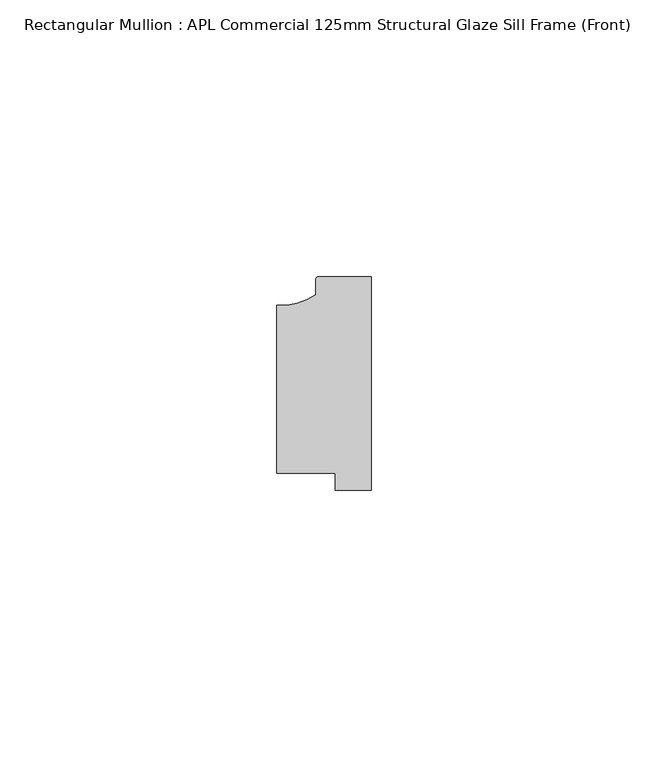
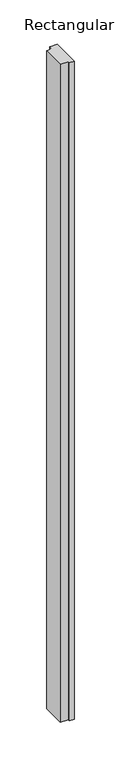
"""IFC4 building model written with IfcOpenShell, lengths in millimetres: member geometry, Rectangular Mullion : APL Commercial 125mm Structural Glaze Sill Frame (Front)."""

from ifc_helpers import new_model, si_unit, point, frame, frame_2d, origin, place, context, project, spatial, polyline, circle_curve, trimmed, segment, composite_curve, outline, extrude, source, transform, mapped, element, save


def rectangular_mullion_apl_commercial_125mm_structural_glaze_ec8b24fc(model_context):
    return source(origin(), model_context, "Body", "SweptSolid", [
        extrude(outline(composite_curve([segment(trimmed(circle_curve(frame_2d((-16.1098048, 25.7977481)), 10.4563907), [point((-16.999942, 15.3793144))], [point((-10.0, 17.3120901))], True, "CARTESIAN"), True, "CONTINUOUS"), segment(polyline([(-10.0, 17.3120901), (-10.0, 19.9980675)]), True, "CONTINUOUS"), segment(trimmed(circle_curve(frame_2d((-9.5000029, 19.99978)), 0.5), [point((-10.0, 19.9980675))], [point((-9.5000029, 20.49978))], False, "CARTESIAN"), True, "CONTINUOUS"), segment(polyline([(-9.5000029, 20.49978), (0.0, 20.49978), (0.0, -18.0281616), (-6.5000029, -18.0281616), (-6.5000029, -15.0004332), (-16.999942, -15.0004332), (-16.999942, 15.3793144)]), True, "CONTINUOUS")], self_intersect=False)), frame((0.0, 0.0, -905.9001072), z_axis=(0.0, 0.0, 1.0), x_axis=(1.0, 0.0, 0.0)), (0.0, 0.0, 1.0), 905.9001072),
    ])


if __name__ == "__main__":
    model = new_model("IFC4")
    model_context = context("Model", 3, world=origin())
    ifc_project = project(units=[si_unit("LENGTHUNIT", "METRE", prefix="MILLI")], contexts=[model_context])
    site = spatial("IfcSite", under=ifc_project)
    building = spatial("IfcBuilding", under=site)
    placement = place(None, origin())
    rectangular_mullion_apl_commercial_125mm_structural_glaze_shape = rectangular_mullion_apl_commercial_125mm_structural_glaze_ec8b24fc(model_context)
    element("IfcMember", 1, ObjectType="Rectangular Mullion : APL Commercial 125mm Structural Glaze Sill Frame (Front)", at=placement, inside=building, context=model_context, shape_type="MappedRepresentation", body=[
        mapped(rectangular_mullion_apl_commercial_125mm_structural_glaze_shape, transform((0.0, 0.0, 0.0), x_axis=(1.0, 0.0, 0.0), y_axis=(0.0, 1.0, 0.0), z_axis=(0.0, 0.0, 1.0))),
    ])
    save(model, "model.ifc")
